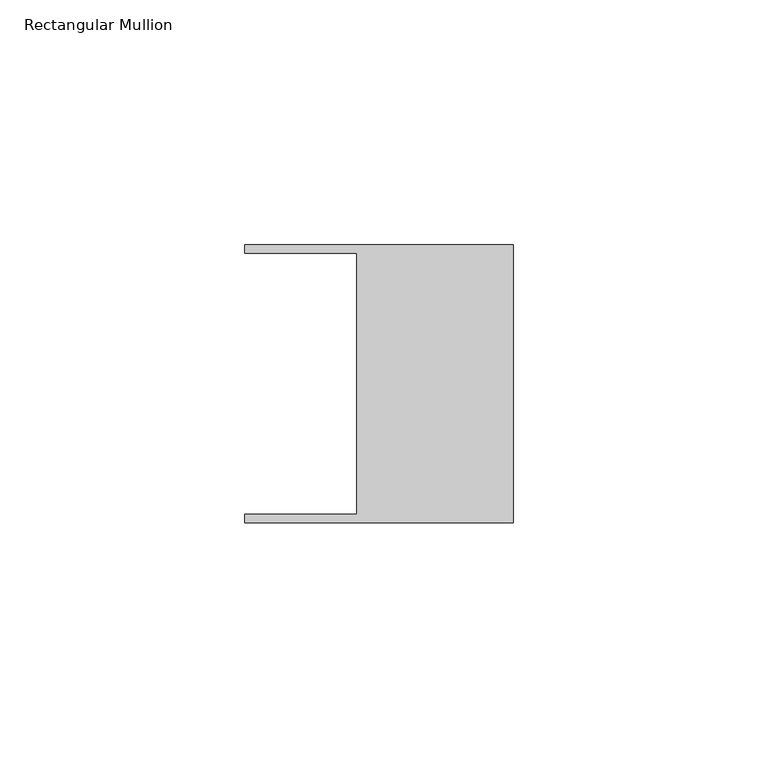
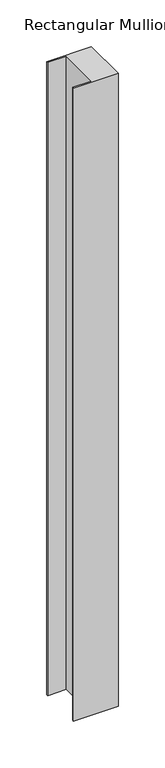
"""IFC4 building model written with IfcOpenShell, lengths in millimetres: member geometry, Rectangular Mullion."""

from ifc_helpers import new_model, si_unit, frame, origin, place, context, project, spatial, polyline, outline, extrude, source, transform, mapped, element, save


def rectangular_mullion_d768fb2a(model_context):
    return source(origin(), model_context, "Body", "SweptSolid", [
        extrude(outline(polyline([(-32.004, 26.67), (-54.991, 26.67), (-54.991, 28.448), (0.0, 28.448), (0.0, -28.448), (-54.991, -28.448), (-54.991, -26.67), (-32.004, -26.67), (-32.004, 26.67)])), frame((0.0, 0.0, -825.4836856), z_axis=(0.0, 0.0, 1.0), x_axis=(1.0, 0.0, 0.0)), (0.0, 0.0, 1.0), 825.4836856),
    ])


if __name__ == "__main__":
    model = new_model("IFC4")
    model_context = context("Model", 3, world=origin())
    ifc_project = project(units=[si_unit("LENGTHUNIT", "METRE", prefix="MILLI")], contexts=[model_context])
    site = spatial("IfcSite", under=ifc_project)
    building = spatial("IfcBuilding", under=site)
    placement = place(None, origin())
    rectangular_mullion_shape = rectangular_mullion_d768fb2a(model_context)
    element("IfcMember", 1, ObjectType="Rectangular Mullion", at=placement, inside=building, context=model_context, shape_type="MappedRepresentation", body=[
        mapped(rectangular_mullion_shape, transform((0.0, 0.0, 0.0), x_axis=(1.0, 0.0, 0.0), y_axis=(0.0, 1.0, 0.0), z_axis=(0.0, 0.0, 1.0))),
    ])
    save(model, "model.ifc")
